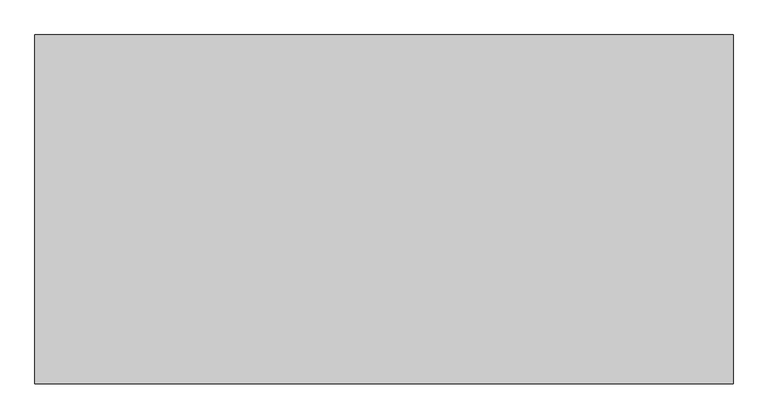
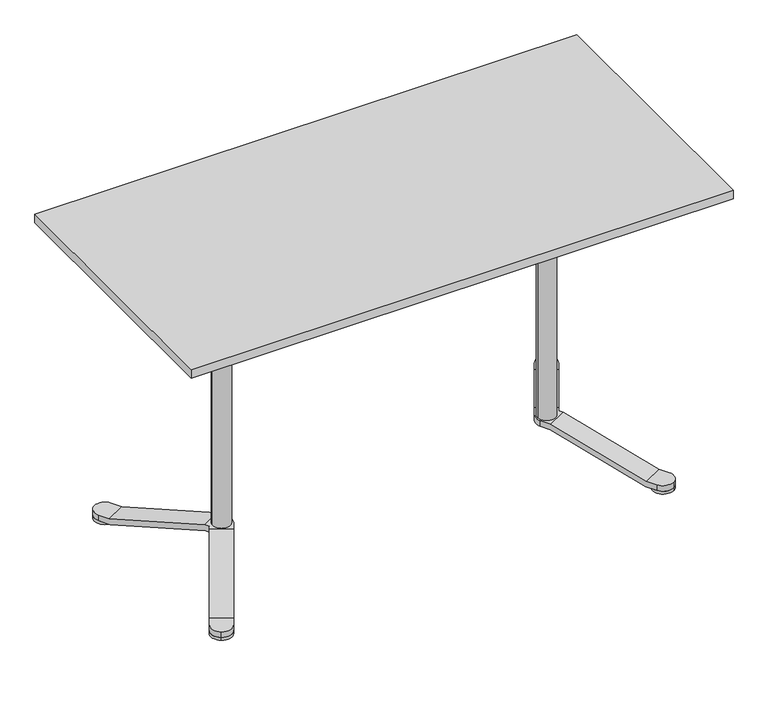
"""IFC4 building model written with IfcOpenShell, lengths in millimetres: furniture geometry."""

from ifc_helpers import new_model, si_unit, point, frame, frame_2d, origin, origin_with_axes, place, context, project, spatial, polyline, circle_curve, ellipse_curve, trimmed, segment, composite_curve, outline, extrude, source, transform, mapped, element, save
from ifc_brep_helpers import plane_surface, cylinder_surface, advanced_brep


def furniture_5b7a5aaa(model_context):
    return source(origin(), model_context, "Body", "SolidModel", [
        advanced_brep(
        [(-313.9430973, -35.0, 1024.0), (-275.0, -35.0, 1024.0), (-240.0, 0.0, 1024.0), (-275.0, 35.0, 1024.0), (-313.9430973, 35.0, 1024.0), (-310.0, -35.0, 1004.0), (-310.0, 35.0, 1004.0), (-275.0, 35.0, 1004.0), (-240.0, 0.0, 1004.0), (-275.0, -35.0, 1004.0), (-508.9430973, 35.0, 944.0), (-508.9430973, 16.1390456, 944.0), (-505.0, 0.0, 945.6176809), (-508.9430973, -16.1390456, 944.0), (-508.9430973, -35.0, 944.0), (-505.0, -35.0, 924.0), (-505.0, 35.0, 924.0), (-505.0, 0.0, 948.0), (-575.0, 0.0, 948.0), (-575.0, 0.0, 944.0), (-569.5052748, -18.8265439, 944.0), (-541.5516279, -34.9655895, 944.0), (-541.5516279, 34.9655895, 944.0), (-569.5052748, 18.8265439, 944.0), (-519.7927406, -35.0, 944.0), (-519.7927406, -35.0, 924.0), (-519.7927406, 35.0, 924.0), (-519.7927406, 35.0, 944.0), (-525.2175622, -44.3960667, 944.0), (-525.2175622, 44.3960667, 944.0), (-585.8393405, 9.3960667, 944.0), (-580.4145188, 0.0, 944.0), (-585.8393405, -9.3960667, 944.0), (-527.1891109, -47.8108891, 924.0), (-587.8108891, -12.8108891, 924.0), (-580.4145188, 0.0, 924.0), (-587.8108891, 12.8108891, 924.0), (-527.1891109, 47.8108891, 924.0), (-622.7175622, 213.2710205, 1024.0), (-642.1891109, 246.996732, 1024.0), (-690.0, 259.8076211, 1024.0), (-702.8108891, 211.996732, 1024.0), (-683.3393405, 178.2710205, 1024.0), (-624.6891109, 216.6858429, 1004.0), (-685.3108891, 181.6858429, 1004.0), (-702.8108891, 211.996732, 1004.0), (-690.0, 259.8076211, 1004.0), (-642.1891109, 246.996732, 1004.0), (-690.0, -259.8076211, 1024.0), (-642.1891109, -246.996732, 1024.0), (-622.7175622, -213.2710205, 1024.0), (-683.3393405, -178.2710205, 1024.0), (-702.8108891, -211.996732, 1024.0), (-690.0, -259.8076211, 1004.0), (-702.8108891, -211.996732, 1004.0), (-685.3108891, -181.6858429, 1004.0), (-624.6891109, -216.6858429, 1004.0), (-642.1891109, -246.996732, 1004.0)],
        [
            (0, 1),
            (1, 2, circle_curve(frame((-275.0, 0.0, 1024.0), z_axis=(0.0, 0.0, 1.0), x_axis=(-1.0, 0.0, 0.0)), 35.0)),
            (2, 3, circle_curve(frame((-275.0, 0.0, 1024.0), z_axis=(0.0, 0.0, 1.0), x_axis=(-1.0, 0.0, 0.0)), 35.0)),
            (3, 4),
            (4, 0),
            (5, 6),
            (6, 7),
            (7, 8, circle_curve(frame((-275.0, 0.0, 1004.0), z_axis=(0.0, 0.0, -1.0), x_axis=(-1.0, 0.0, 0.0)), 35.0)),
            (8, 9, circle_curve(frame((-275.0, 0.0, 1004.0), z_axis=(0.0, 0.0, -1.0), x_axis=(-1.0, 0.0, 0.0)), 35.0)),
            (9, 5),
            (1, 9),
            (8, 2),
            (7, 3),
            (4, 10),
            (10, 11),
            (11, 12, ellipse_curve(frame((-540.0, 0.0, 931.2587066), z_axis=(0.37955635625630724, 0.0, -0.9251686183747454), x_axis=(0.9251686183747455, 0.0, 0.37955635625630696)), 37.8309416, 35.0)),
            (12, 13, ellipse_curve(frame((-540.0, 0.0, 931.2587066), z_axis=(0.37955635625630724, 0.0, -0.9251686183747454), x_axis=(0.9251686183747455, 0.0, 0.37955635625630696)), 37.8309416, 35.0)),
            (13, 14),
            (14, 0),
            (5, 15),
            (15, 16),
            (16, 6),
            (17, 18, circle_curve(frame((-540.0, 0.0, 948.0), z_axis=(0.0, 0.0, 1.0), x_axis=(-1.0, 0.0, 0.0)), 35.0)),
            (18, 17, circle_curve(frame((-540.0, 0.0, 948.0), z_axis=(0.0, 0.0, 1.0), x_axis=(-1.0, 0.0, 0.0)), 35.0)),
            (18, 19),
            (19, 20, circle_curve(frame((-540.0, 0.0, 944.0), z_axis=(0.0, 0.0, 1.0), x_axis=(-1.0, 0.0, 0.0)), 35.0)),
            (20, 21, ellipse_curve(frame((-540.0, 0.0, 931.2587066), z_axis=(0.18977817812817024, 0.32870544668580903, 0.9251686183747454), x_axis=(-0.46258430918741966, -0.8012195262966529, 0.37955635625630724)), 37.8309416, 35.0)),
            (21, 13, circle_curve(frame((-540.0, 0.0, 944.0), z_axis=(0.0, 0.0, 1.0), x_axis=(-1.0, 0.0, 0.0)), 35.0)),
            (12, 17),
            (11, 22, circle_curve(frame((-540.0, 0.0, 944.0), z_axis=(0.0, 0.0, 1.0), x_axis=(-1.0, 0.0, 0.0)), 35.0)),
            (22, 23, ellipse_curve(frame((-540.0, 0.0, 931.2587066), z_axis=(0.18977817812813838, -0.3287054466858273, 0.9251686183747454), x_axis=(-0.4625843091873421, 0.8012195262966977, 0.3795563562563073)), 37.8309416, 35.0)),
            (23, 19, circle_curve(frame((-540.0, 0.0, 944.0), z_axis=(0.0, 0.0, 1.0), x_axis=(-1.0, 0.0, 0.0)), 35.0)),
            (14, 24),
            (24, 25),
            (25, 15),
            (16, 26),
            (26, 27),
            (27, 10),
            (21, 28),
            (28, 24),
            (27, 29),
            (29, 22),
            (30, 31),
            (31, 32),
            (32, 20),
            (23, 30),
            (25, 33),
            (33, 34),
            (34, 35),
            (35, 36),
            (36, 37),
            (37, 26),
            (38, 39),
            (39, 40, circle_curve(frame((-672.5, 229.496732, 1024.0), z_axis=(0.0, 0.0, 1.0), x_axis=(0.5000000000000033, -0.8660254037844368, 0.0)), 35.0)),
            (40, 41, circle_curve(frame((-672.5, 229.496732, 1024.0), z_axis=(0.0, 0.0, 1.0), x_axis=(0.5000000000000033, -0.8660254037844368, 0.0)), 35.0)),
            (41, 42),
            (42, 38),
            (43, 44),
            (44, 45),
            (45, 46, circle_curve(frame((-672.5, 229.496732, 1004.0), z_axis=(0.0, 0.0, -1.0), x_axis=(0.5000000000000033, -0.8660254037844368, 0.0)), 35.0)),
            (46, 47, circle_curve(frame((-672.5, 229.496732, 1004.0), z_axis=(0.0, 0.0, -1.0), x_axis=(0.5000000000000033, -0.8660254037844368, 0.0)), 35.0)),
            (47, 43),
            (39, 47),
            (46, 40),
            (45, 41),
            (42, 30),
            (29, 38),
            (43, 37),
            (36, 44),
            (35, 31),
            (48, 49, circle_curve(frame((-672.5, -229.496732, 1024.0), z_axis=(0.0, 0.0, 1.0), x_axis=(0.4999999999999982, 0.8660254037844397, 0.0)), 35.0)),
            (49, 50),
            (50, 51),
            (51, 52),
            (52, 48, circle_curve(frame((-672.5, -229.496732, 1024.0), z_axis=(0.0, 0.0, 1.0), x_axis=(0.4999999999999982, 0.8660254037844397, 0.0)), 35.0)),
            (53, 54, circle_curve(frame((-672.5, -229.496732, 1004.0), z_axis=(0.0, 0.0, -1.0), x_axis=(0.4999999999999982, 0.8660254037844397, 0.0)), 35.0)),
            (54, 55),
            (55, 56),
            (56, 57),
            (57, 53, circle_curve(frame((-672.5, -229.496732, 1004.0), z_axis=(0.0, 0.0, -1.0), x_axis=(0.4999999999999982, 0.8660254037844397, 0.0)), 35.0)),
            (52, 54),
            (53, 48),
            (57, 49),
            (50, 28),
            (32, 51),
            (55, 34),
            (33, 56),
        ],
        [
            plane_surface(frame((-310.0, 0.0, 1024.0), z_axis=(0.0, 0.0, 1.0), x_axis=(0.0, 1.0, 0.0))),
            plane_surface(frame((-310.0, 0.0, 1004.0), z_axis=(0.0, 0.0, -1.0), x_axis=(0.0, -1.0, 0.0))),
            cylinder_surface(frame((-275.0, 0.0, 1004.0), z_axis=(0.0, 0.0, 1.0), x_axis=(-1.0, 0.0, 0.0)), 35.0),
            plane_surface(frame((-313.9430973, -35.0, 1024.0), z_axis=(-0.37955635625630724, 0.0, 0.9251686183747454), x_axis=(-0.9251686183747454, 0.0, -0.37955635625630724))),
            plane_surface(frame((-310.0, 35.0, 1004.0), z_axis=(0.37955635625630724, 0.0, -0.9251686183747454), x_axis=(-0.9251686183747454, 0.0, -0.37955635625630724))),
            plane_surface(frame((-575.0, 0.0, 948.0), z_axis=(0.0, 0.0, 1.0), x_axis=(0.0, 1.0, 0.0))),
            cylinder_surface(frame((-540.0, 0.0, 924.0), z_axis=(0.0, 0.0, 1.0), x_axis=(-1.0, 0.0, 0.0)), 35.0),
            plane_surface(frame((-275.0, -35.0, 1004.0), z_axis=(0.0, -1.0, 0.0), x_axis=(-1.0, 0.0, 0.0))),
            plane_surface(frame((-275.0, 35.0, 1024.0), z_axis=(0.0, 1.0, 0.0), x_axis=(-1.0, 0.0, 0.0))),
            plane_surface(frame((-508.9430973, -35.0, 944.0), z_axis=(0.0, 0.0, 1.0), x_axis=(-1.0, 0.0, 0.0))),
            plane_surface(frame((-505.0, 35.0, 924.0), z_axis=(0.0, 0.0, -1.0), x_axis=(-1.0, 0.0, 0.0))),
            plane_surface(frame((-655.0, 199.1858429, 1024.0), z_axis=(0.0, 0.0, 1.0000000000000002), x_axis=(-0.8660254037844368, -0.5000000000000033, 0.0))),
            plane_surface(frame((-655.0, 199.1858429, 1004.0), z_axis=(0.0, 0.0, -1.0000000000000002), x_axis=(0.8660254037844368, 0.5000000000000033, 0.0))),
            cylinder_surface(frame((-672.5, 229.496732, 1004.0), z_axis=(0.0, 0.0, 1.0000000000000002), x_axis=(0.5000000000000033, -0.8660254037844368, 0.0)), 35.0),
            plane_surface(frame((-622.7175622, 213.2710205, 1024.0), z_axis=(0.18977817812813838, -0.3287054466858273, 0.9251686183747454), x_axis=(0.46258430918737786, -0.8012195262966771, -0.379556356256307))),
            plane_surface(frame((-685.3108891, 181.6858429, 1004.0), z_axis=(-0.18977817812813805, 0.32870544668582763, -0.9251686183747454), x_axis=(0.46258430918737803, -0.801219526296677, -0.3795563562563071))),
            plane_surface(frame((-642.1891109, 246.996732, 1004.0), z_axis=(0.8660254037844353, 0.500000000000006, 0.0), x_axis=(0.500000000000006, -0.8660254037844353, 0.0))),
            plane_surface(frame((-702.8108891, 211.996732, 1024.0), z_axis=(-0.8660254037844354, -0.5000000000000057, 0.0), x_axis=(0.5000000000000057, -0.8660254037844354, 0.0))),
            plane_surface(frame((-655.0, -199.1858429, 1024.0), z_axis=(0.0, 0.0, 1.0), x_axis=(0.8660254037844397, -0.4999999999999982, 0.0))),
            plane_surface(frame((-655.0, -199.1858429, 1004.0), z_axis=(0.0, 0.0, -1.0), x_axis=(-0.8660254037844397, 0.4999999999999982, 0.0))),
            cylinder_surface(frame((-672.5, -229.496732, 1004.0), z_axis=(0.0, 0.0, 1.0), x_axis=(0.4999999999999982, 0.8660254037844397, 0.0)), 35.0),
            plane_surface(frame((-683.3393405, -178.2710205, 1024.0), z_axis=(0.18977817812817024, 0.32870544668580903, 0.9251686183747454), x_axis=(0.462584309187371, 0.801219526296681, -0.3795563562563072))),
            plane_surface(frame((-624.6891109, -216.6858429, 1004.0), z_axis=(-0.1897781781281706, -0.32870544668580876, -0.9251686183747455), x_axis=(0.46258430918737103, 0.8012195262966811, -0.3795563562563071))),
            plane_surface(frame((-702.8108891, -211.996732, 1004.0), z_axis=(-0.8660254037844399, 0.4999999999999979, 0.0), x_axis=(0.4999999999999979, 0.8660254037844399, 0.0))),
            plane_surface(frame((-642.1891109, -246.996732, 1024.0), z_axis=(0.8660254037844398, -0.49999999999999806, 0.0), x_axis=(0.49999999999999806, 0.8660254037844398, 0.0))),
        ],
        [
            (0, [[1, 2, 3, 4, 5]]),
            (1, [[6, 7, 8, 9, 10]]),
            (2, [[-2, 11, -9, 12]]),
            (2, [[-8, 13, -3, -12]]),
            (3, [[14, 15, 16, 17, 18, 19, -5]]),
            (4, [[-6, 20, 21, 22]]),
            (5, [[23, 24]]),
            (6, [[25, 26, 27, 28, -17, 29, -24]]),
            (6, [[-29, -16, 30, 31, 32, -25, -23]]),
            (7, [[33, 34, 35, -20, -10, -11, -1, -19]]),
            (8, [[-4, -13, -7, -22, 36, 37, 38, -14]]),
            (9, [[-28, 39, 40, -33, -18]]),
            (9, [[-38, 41, 42, -30, -15]]),
            (9, [[43, 44, 45, -26, -32, 46]]),
            (10, [[-35, 47, 48, 49, 50, 51, 52, -36, -21]]),
            (11, [[53, 54, 55, 56, 57]]),
            (12, [[58, 59, 60, 61, 62]]),
            (13, [[-54, 63, -61, 64]]),
            (13, [[-60, 65, -55, -64]]),
            (14, [[66, -46, -31, -42, 67, -57]]),
            (15, [[-58, 68, -51, 69]]),
            (16, [[-41, -37, -52, -68, -62, -63, -53, -67]]),
            (17, [[-56, -65, -59, -69, -50, 70, -43, -66]]),
            (18, [[71, 72, 73, 74, 75]]),
            (19, [[76, 77, 78, 79, 80]]),
            (20, [[-75, 81, -76, 82]]),
            (20, [[-80, 83, -71, -82]]),
            (21, [[84, -39, -27, -45, 85, -73]]),
            (22, [[86, -48, 87, -78]]),
            (23, [[-44, -70, -49, -86, -77, -81, -74, -85]]),
            (24, [[-72, -83, -79, -87, -47, -34, -40, -84]]),
        ],
    ),
        extrude(outline(composite_curve([segment(trimmed(circle_curve(frame_2d((-733.5, 335.1518313)), 35.0), [point((-716.0, 304.8409421))], [point((-751.0, 365.4627204))], False, "CARTESIAN"), True, "CONTINUOUS"), segment(trimmed(circle_curve(frame_2d((-733.5, 335.1518313)), 35.0), [point((-751.0, 365.4627204))], [point((-716.0, 304.8409421))], False, "CARTESIAN"), True, "CONTINUOUS")], self_intersect=False)), origin_with_axes(), (0.0, 0.0, 1.0), 10.0),
        advanced_brep(
        [(-744.9373899, -284.9619717, 10.0), (-586.4373899, -10.4319187, 98.7542004), (-525.8156116, -45.4319187, 98.7542004), (-684.3156116, -319.9619717, 10.0), (-746.3108891, -287.3409421, 30.0), (-685.6891109, -322.3409421, 30.0), (-527.1891109, -47.8108891, 118.7542004), (-587.8108891, -12.8108891, 118.7542004), (-763.8108891, -317.6518313, 10.0), (-763.8108891, -317.6518313, 30.0), (-580.4145188, 0.0, 118.7542004), (-580.4145188, 0.0, 98.7542004), (-703.1891109, -352.6518313, 10.0), (-751.0, -365.4627204, 10.0), (-509.6891109, -17.5, 98.7542004), (-509.6891109, -17.5, 118.7542004), (-703.1891109, -352.6518313, 30.0), (-751.0, -365.4627204, 30.0), (-586.4373899, 10.4319187, 98.7542004), (-525.8156116, 45.4319187, 98.7542004), (-509.6891109, 17.5, 98.7542004), (-509.6891109, 17.5, 118.7542004), (-527.1891109, 47.8108891, 118.7542004), (-587.8108891, 12.8108891, 118.7542004), (-684.3156116, 319.9619717, 10.0), (-744.9373899, 284.9619717, 10.0), (-685.6891109, 322.3409421, 30.0), (-746.3108891, 287.3409421, 30.0), (-703.1891109, 352.6518313, 10.0), (-703.1891109, 352.6518313, 30.0), (-763.8108891, 317.6518313, 10.0), (-751.0, 365.4627204, 10.0), (-763.8108891, 317.6518313, 30.0), (-751.0, 365.4627204, 30.0)],
        [
            (0, 1),
            (1, 2),
            (2, 3),
            (3, 0),
            (4, 5),
            (5, 6),
            (6, 7),
            (7, 4),
            (0, 8),
            (8, 9),
            (9, 4),
            (7, 10),
            (10, 11),
            (11, 1),
            (3, 12),
            (12, 13, circle_curve(frame((-733.5, -335.1518313, 10.0), z_axis=(0.0, 0.0, -1.0), x_axis=(0.49999999999999245, 0.866025403784443, 0.0)), 35.0)),
            (13, 8, circle_curve(frame((-733.5, -335.1518313, 10.0), z_axis=(0.0, 0.0, -1.0), x_axis=(0.49999999999999245, 0.866025403784443, 0.0)), 35.0)),
            (2, 14),
            (14, 15),
            (15, 6),
            (5, 16),
            (16, 12),
            (9, 17, circle_curve(frame((-733.5, -335.1518313, 30.0), z_axis=(0.0, 0.0, 1.0), x_axis=(0.49999999999999245, 0.866025403784443, 0.0)), 35.0)),
            (17, 16, circle_curve(frame((-733.5, -335.1518313, 30.0), z_axis=(0.0, 0.0, 1.0), x_axis=(0.49999999999999245, 0.866025403784443, 0.0)), 35.0)),
            (11, 18),
            (18, 19),
            (19, 20),
            (20, 14, circle_curve(frame((-540.0, 0.0, 98.7542004), z_axis=(0.0, 0.0, -1.0), x_axis=(-0.499999999999998, -0.8660254037844398, 0.0)), 35.0)),
            (15, 21, circle_curve(frame((-540.0, 0.0, 118.7542004), z_axis=(0.0, 0.0, 1.0), x_axis=(-0.499999999999998, -0.8660254037844398, 0.0)), 35.0)),
            (21, 22),
            (22, 23),
            (23, 10),
            (17, 13),
            (24, 19),
            (18, 25),
            (25, 24),
            (26, 27),
            (27, 23),
            (22, 26),
            (24, 28),
            (28, 29),
            (29, 26),
            (21, 20),
            (25, 30),
            (30, 31, circle_curve(frame((-733.5, 335.1518313, 10.0), z_axis=(0.0, 0.0, -1.0), x_axis=(0.5000000000000067, -0.8660254037844348, 0.0)), 35.0)),
            (31, 28, circle_curve(frame((-733.5, 335.1518313, 10.0), z_axis=(0.0, 0.0, -1.0), x_axis=(0.5000000000000067, -0.8660254037844348, 0.0)), 35.0)),
            (27, 32),
            (32, 30),
            (29, 33, circle_curve(frame((-733.5, 335.1518313, 30.0), z_axis=(0.0, 0.0, 1.0), x_axis=(0.5000000000000067, -0.8660254037844348, 0.0)), 35.0)),
            (33, 32, circle_curve(frame((-733.5, 335.1518313, 30.0), z_axis=(0.0, 0.0, 1.0), x_axis=(0.5000000000000067, -0.8660254037844348, 0.0)), 35.0)),
            (33, 31),
        ],
        [
            plane_surface(frame((-684.3156116, -319.9619717, 10.0), z_axis=(0.13480679420202513, 0.23349221676335374, -0.9629685939572007), x_axis=(0.4814842969785931, 0.833955265413522, 0.26961358840401967))),
            plane_surface(frame((-746.3108891, -287.3409421, 30.0), z_axis=(-0.13480679420202557, -0.2334922167633536, 0.9629685939572008), x_axis=(0.481484296978593, 0.833955265413522, 0.2696135884040197))),
            plane_surface(frame((-763.8108891, -317.6518313, 10.0), z_axis=(-0.8660254037844429, 0.49999999999999256, 0.0), x_axis=(0.49999999999999256, 0.8660254037844429, 0.0))),
            plane_surface(frame((-703.1891109, -352.6518313, 10.0), z_axis=(0.0, 0.0, -1.0), x_axis=(0.4999999999999921, 0.8660254037844433, 0.0))),
            plane_surface(frame((-703.1891109, -352.6518313, 30.0), z_axis=(0.8660254037844428, -0.49999999999999295, 0.0), x_axis=(0.49999999999999295, 0.8660254037844428, 0.0))),
            plane_surface(frame((-763.8108891, -317.6518313, 30.0), z_axis=(0.0, 0.0, 1.0), x_axis=(0.49999999999999256, 0.8660254037844429, 0.0))),
            plane_surface(frame((-525.8156116, -45.4319187, 98.7542004), z_axis=(0.0, 0.0, -1.0), x_axis=(0.4999999999999923, 0.8660254037844431, 0.0))),
            plane_surface(frame((-587.8108891, -12.8108891, 118.7542004), z_axis=(0.0, 0.0, 1.0), x_axis=(0.49999999999999234, 0.8660254037844431, 0.0))),
            cylinder_surface(frame((-733.5, -335.1518313, 10.0), z_axis=(0.0, 0.0, 1.0), x_axis=(0.49999999999999245, 0.866025403784443, 0.0)), 35.0),
            plane_surface(frame((-744.9373899, 284.9619717, 10.0), z_axis=(0.13480679420199432, -0.23349221676337148, -0.9629685939572008), x_axis=(0.48148429697860684, -0.8339552654135142, 0.2696135884040196))),
            plane_surface(frame((-685.6891109, 322.3409421, 30.0), z_axis=(-0.13480679420199398, 0.23349221676337176, 0.9629685939572007), x_axis=(0.4814842969786067, -0.8339552654135141, 0.26961358840401967))),
            plane_surface(frame((-703.1891109, 352.6518313, 10.0), z_axis=(0.8660254037844345, 0.5000000000000074, 0.0), x_axis=(0.5000000000000074, -0.8660254037844345, 0.0))),
            plane_surface(frame((-763.8108891, 317.6518313, 10.0), z_axis=(0.0, 0.0, -1.0), x_axis=(0.500000000000008, -0.866025403784434, 0.0))),
            plane_surface(frame((-763.8108891, 317.6518313, 30.0), z_axis=(-0.8660254037844347, -0.5000000000000069, 0.0), x_axis=(0.5000000000000069, -0.8660254037844347, 0.0))),
            plane_surface(frame((-703.1891109, 352.6518313, 30.0), z_axis=(0.0, 0.0, 1.0), x_axis=(0.5000000000000078, -0.8660254037844342, 0.0))),
            cylinder_surface(frame((-733.5, 335.1518313, 10.0), z_axis=(0.0, 0.0, 1.0), x_axis=(0.5000000000000067, -0.8660254037844348, 0.0)), 35.0),
            cylinder_surface(frame((-540.0, 0.0, 98.7542004), z_axis=(0.0, 0.0, 1.0), x_axis=(-0.499999999999998, -0.8660254037844398, 0.0)), 35.0),
        ],
        [
            (0, [[1, 2, 3, 4]]),
            (1, [[5, 6, 7, 8]]),
            (2, [[9, 10, 11, -8, 12, 13, 14, -1]]),
            (3, [[15, 16, 17, -9, -4]]),
            (4, [[18, 19, 20, -6, 21, 22, -15, -3]]),
            (5, [[23, 24, -21, -5, -11]]),
            (6, [[-2, -14, 25, 26, 27, 28, -18]]),
            (7, [[29, 30, 31, 32, -12, -7, -20]]),
            (8, [[-16, -22, -24, 33]]),
            (8, [[-23, -10, -17, -33]]),
            (9, [[34, -26, 35, 36]]),
            (10, [[37, 38, -31, 39]]),
            (11, [[40, 41, 42, -39, -30, 43, -27, -34]]),
            (12, [[44, 45, 46, -40, -36]]),
            (13, [[-25, -13, -32, -38, 47, 48, -44, -35]]),
            (14, [[49, 50, -47, -37, -42]]),
            (15, [[-45, -48, -50, 51]]),
            (15, [[-49, -41, -46, -51]]),
            (16, [[-19, -28, -43, -29]]),
        ],
    ),
        extrude(outline(composite_curve([segment(trimmed(circle_curve(frame_2d((-540.0, 0.0)), 30.0), [point((-510.0, 0.0))], [point((-570.0, 0.0))], False, "CARTESIAN"), True, "CONTINUOUS"), segment(trimmed(circle_curve(frame_2d((-540.0, 0.0)), 30.0), [point((-570.0, 0.0))], [point((-510.0, 0.0))], False, "CARTESIAN"), True, "CONTINUOUS")], self_intersect=False)), frame((0.0, 0.0, 118.7542004), z_axis=(0.0, 0.0, 1.0), x_axis=(1.0, 0.0, 0.0)), (0.0, 0.0, 1.0), 805.2457996),
        extrude(outline(composite_curve([segment(trimmed(circle_curve(frame_2d((-733.5, -335.1518313)), 35.0), [point((-716.0, -304.8409421))], [point((-751.0, -365.4627204))], False, "CARTESIAN"), True, "CONTINUOUS"), segment(trimmed(circle_curve(frame_2d((-733.5, -335.1518313)), 35.0), [point((-751.0, -365.4627204))], [point((-716.0, -304.8409421))], False, "CARTESIAN"), True, "CONTINUOUS")], self_intersect=False)), origin_with_axes(), (0.0, 0.0, 1.0), 10.0),
        advanced_brep(
        [(313.9430973, -35.0, 1024.0), (313.9430973, 35.0, 1024.0), (275.0, 35.0, 1024.0), (240.0, 0.0, 1024.0), (275.0, -35.0, 1024.0), (310.0, -35.0, 1004.0), (275.0, -35.0, 1004.0), (240.0, 0.0, 1004.0), (275.0, 35.0, 1004.0), (310.0, 35.0, 1004.0), (508.9430973, -35.0, 944.0), (508.9430973, -16.1390456, 944.0), (505.0, 0.0, 945.6176809), (508.9430973, 16.1390456, 944.0), (508.9430973, 35.0, 944.0), (505.0, 35.0, 924.0), (505.0, -35.0, 924.0), (505.0, 0.0, 948.0), (575.0, 0.0, 948.0), (541.5516279, -34.9655895, 944.0), (569.5052748, -18.8265439, 944.0), (575.0, 0.0, 944.0), (569.5052748, 18.8265439, 944.0), (541.5516279, 34.9655895, 944.0), (519.7927406, -35.0, 924.0), (519.7927406, -35.0, 944.0), (519.7927406, 35.0, 944.0), (519.7927406, 35.0, 924.0), (525.2175622, -44.3960667, 944.0), (525.2175622, 44.3960667, 944.0), (585.8393405, 9.3960667, 944.0), (585.8393405, -9.3960667, 944.0), (580.4145188, 0.0, 944.0), (527.1891109, 47.8108891, 924.0), (587.8108891, 12.8108891, 924.0), (580.4145188, 0.0, 924.0), (587.8108891, -12.8108891, 924.0), (527.1891109, -47.8108891, 924.0), (622.7175622, 213.2710205, 1024.0), (683.3393405, 178.2710205, 1024.0), (702.8108891, 211.996732, 1024.0), (690.0, 259.8076211, 1024.0), (642.1891109, 246.996732, 1024.0), (624.6891109, 216.6858429, 1004.0), (642.1891109, 246.996732, 1004.0), (690.0, 259.8076211, 1004.0), (702.8108891, 211.996732, 1004.0), (685.3108891, 181.6858429, 1004.0), (690.0, -259.8076211, 1024.0), (702.8108891, -211.996732, 1024.0), (683.3393405, -178.2710205, 1024.0), (622.7175622, -213.2710205, 1024.0), (642.1891109, -246.996732, 1024.0), (690.0, -259.8076211, 1004.0), (642.1891109, -246.996732, 1004.0), (624.6891109, -216.6858429, 1004.0), (685.3108891, -181.6858429, 1004.0), (702.8108891, -211.996732, 1004.0)],
        [
            (0, 1),
            (1, 2),
            (2, 3, circle_curve(frame((275.0, 0.0, 1024.0), z_axis=(0.0, 0.0, 1.0), x_axis=(1.0, 0.0, 0.0)), 35.0)),
            (3, 4, circle_curve(frame((275.0, 0.0, 1024.0), z_axis=(0.0, 0.0, 1.0), x_axis=(1.0, 0.0, 0.0)), 35.0)),
            (4, 0),
            (5, 6),
            (6, 7, circle_curve(frame((275.0, 0.0, 1004.0), z_axis=(0.0, 0.0, -1.0), x_axis=(1.0, 0.0, 0.0)), 35.0)),
            (7, 8, circle_curve(frame((275.0, 0.0, 1004.0), z_axis=(0.0, 0.0, -1.0), x_axis=(1.0, 0.0, 0.0)), 35.0)),
            (8, 9),
            (9, 5),
            (3, 7),
            (6, 4),
            (2, 8),
            (0, 10),
            (10, 11),
            (11, 12, ellipse_curve(frame((540.0, 0.0, 931.2587066), z_axis=(-0.37955635625630724, 0.0, -0.9251686183747454), x_axis=(-0.9251686183747455, 0.0, 0.37955635625630696)), 37.8309416, 35.0)),
            (12, 13, ellipse_curve(frame((540.0, 0.0, 931.2587066), z_axis=(-0.37955635625630724, 0.0, -0.9251686183747454), x_axis=(-0.9251686183747455, 0.0, 0.37955635625630696)), 37.8309416, 35.0)),
            (13, 14),
            (14, 1),
            (9, 15),
            (15, 16),
            (16, 5),
            (17, 18, circle_curve(frame((540.0, 0.0, 948.0), z_axis=(0.0, 0.0, 1.0), x_axis=(1.0, 0.0, 0.0)), 35.0)),
            (18, 17, circle_curve(frame((540.0, 0.0, 948.0), z_axis=(0.0, 0.0, 1.0), x_axis=(1.0, 0.0, 0.0)), 35.0)),
            (17, 12),
            (11, 19, circle_curve(frame((540.0, 0.0, 944.0), z_axis=(0.0, 0.0, 1.0), x_axis=(1.0, 0.0, 0.0)), 35.0)),
            (19, 20, ellipse_curve(frame((540.0, 0.0, 931.2587066), z_axis=(-0.18977817812817024, 0.32870544668580903, 0.9251686183747454), x_axis=(0.46258430918741966, -0.8012195262966529, 0.37955635625630724)), 37.8309416, 35.0)),
            (20, 21, circle_curve(frame((540.0, 0.0, 944.0), z_axis=(0.0, 0.0, 1.0), x_axis=(1.0, 0.0, 0.0)), 35.0)),
            (21, 18),
            (21, 22, circle_curve(frame((540.0, 0.0, 944.0), z_axis=(0.0, 0.0, 1.0), x_axis=(1.0, 0.0, 0.0)), 35.0)),
            (22, 23, ellipse_curve(frame((540.0, 0.0, 931.2587066), z_axis=(-0.18977817812813838, -0.3287054466858273, 0.9251686183747454), x_axis=(0.4625843091873421, 0.8012195262966977, 0.3795563562563073)), 37.8309416, 35.0)),
            (23, 13, circle_curve(frame((540.0, 0.0, 944.0), z_axis=(0.0, 0.0, 1.0), x_axis=(1.0, 0.0, 0.0)), 35.0)),
            (16, 24),
            (24, 25),
            (25, 10),
            (14, 26),
            (26, 27),
            (27, 15),
            (25, 28),
            (28, 19),
            (23, 29),
            (29, 26),
            (30, 22),
            (20, 31),
            (31, 32),
            (32, 30),
            (27, 33),
            (33, 34),
            (34, 35),
            (35, 36),
            (36, 37),
            (37, 24),
            (38, 39),
            (39, 40),
            (40, 41, circle_curve(frame((672.5, 229.496732, 1024.0), z_axis=(0.0, 0.0, 1.0), x_axis=(-0.5000000000000033, -0.8660254037844368, 0.0)), 35.0)),
            (41, 42, circle_curve(frame((672.5, 229.496732, 1024.0), z_axis=(0.0, 0.0, 1.0), x_axis=(-0.5000000000000033, -0.8660254037844368, 0.0)), 35.0)),
            (42, 38),
            (43, 44),
            (44, 45, circle_curve(frame((672.5, 229.496732, 1004.0), z_axis=(0.0, 0.0, -1.0), x_axis=(-0.5000000000000033, -0.8660254037844368, 0.0)), 35.0)),
            (45, 46, circle_curve(frame((672.5, 229.496732, 1004.0), z_axis=(0.0, 0.0, -1.0), x_axis=(-0.5000000000000033, -0.8660254037844368, 0.0)), 35.0)),
            (46, 47),
            (47, 43),
            (41, 45),
            (44, 42),
            (40, 46),
            (38, 29),
            (30, 39),
            (47, 34),
            (33, 43),
            (32, 35),
            (48, 49, circle_curve(frame((672.5, -229.496732, 1024.0), z_axis=(0.0, 0.0, 1.0), x_axis=(-0.4999999999999982, 0.8660254037844397, 0.0)), 35.0)),
            (49, 50),
            (50, 51),
            (51, 52),
            (52, 48, circle_curve(frame((672.5, -229.496732, 1024.0), z_axis=(0.0, 0.0, 1.0), x_axis=(-0.4999999999999982, 0.8660254037844397, 0.0)), 35.0)),
            (53, 54, circle_curve(frame((672.5, -229.496732, 1004.0), z_axis=(0.0, 0.0, -1.0), x_axis=(-0.4999999999999982, 0.8660254037844397, 0.0)), 35.0)),
            (54, 55),
            (55, 56),
            (56, 57),
            (57, 53, circle_curve(frame((672.5, -229.496732, 1004.0), z_axis=(0.0, 0.0, -1.0), x_axis=(-0.4999999999999982, 0.8660254037844397, 0.0)), 35.0)),
            (48, 53),
            (57, 49),
            (52, 54),
            (50, 31),
            (28, 51),
            (55, 37),
            (36, 56),
        ],
        [
            plane_surface(frame((310.0, 0.0, 1024.0), z_axis=(0.0, 0.0, 1.0), x_axis=(0.0, 1.0, 0.0))),
            plane_surface(frame((310.0, 0.0, 1004.0), z_axis=(0.0, 0.0, -1.0), x_axis=(0.0, -1.0, 0.0))),
            cylinder_surface(frame((275.0, 0.0, 1004.0), z_axis=(0.0, 0.0, 1.0), x_axis=(1.0, 0.0, 0.0)), 35.0),
            plane_surface(frame((313.9430973, -35.0, 1024.0), z_axis=(0.37955635625630724, 0.0, 0.9251686183747454), x_axis=(0.9251686183747454, 0.0, -0.37955635625630724))),
            plane_surface(frame((310.0, 35.0, 1004.0), z_axis=(-0.37955635625630724, 0.0, -0.9251686183747454), x_axis=(0.9251686183747454, 0.0, -0.37955635625630724))),
            plane_surface(frame((575.0, 0.0, 948.0), z_axis=(0.0, 0.0, 1.0), x_axis=(0.0, 1.0, 0.0))),
            cylinder_surface(frame((540.0, 0.0, 924.0), z_axis=(0.0, 0.0, 1.0), x_axis=(1.0, 0.0, 0.0)), 35.0),
            plane_surface(frame((275.0, -35.0, 1004.0), z_axis=(0.0, -1.0, 0.0), x_axis=(1.0, 0.0, 0.0))),
            plane_surface(frame((275.0, 35.0, 1024.0), z_axis=(0.0, 1.0, 0.0), x_axis=(1.0, 0.0, 0.0))),
            plane_surface(frame((508.9430973, -35.0, 944.0), z_axis=(0.0, 0.0, 1.0), x_axis=(1.0, 0.0, 0.0))),
            plane_surface(frame((505.0, 35.0, 924.0), z_axis=(0.0, 0.0, -1.0), x_axis=(1.0, 0.0, 0.0))),
            plane_surface(frame((655.0, 199.1858429, 1024.0), z_axis=(0.0, 0.0, 1.0000000000000002), x_axis=(0.8660254037844368, -0.5000000000000033, 0.0))),
            plane_surface(frame((655.0, 199.1858429, 1004.0), z_axis=(0.0, 0.0, -1.0000000000000002), x_axis=(-0.8660254037844368, 0.5000000000000033, 0.0))),
            cylinder_surface(frame((672.5, 229.496732, 1004.0), z_axis=(0.0, 0.0, 1.0000000000000002), x_axis=(-0.5000000000000033, -0.8660254037844368, 0.0)), 35.0),
            plane_surface(frame((622.7175622, 213.2710205, 1024.0), z_axis=(-0.18977817812813838, -0.3287054466858273, 0.9251686183747454), x_axis=(-0.46258430918737786, -0.8012195262966771, -0.379556356256307))),
            plane_surface(frame((685.3108891, 181.6858429, 1004.0), z_axis=(0.18977817812813805, 0.32870544668582763, -0.9251686183747454), x_axis=(-0.46258430918737803, -0.801219526296677, -0.3795563562563071))),
            plane_surface(frame((642.1891109, 246.996732, 1004.0), z_axis=(-0.8660254037844353, 0.500000000000006, 0.0), x_axis=(-0.500000000000006, -0.8660254037844353, 0.0))),
            plane_surface(frame((702.8108891, 211.996732, 1024.0), z_axis=(0.8660254037844354, -0.5000000000000057, 0.0), x_axis=(-0.5000000000000057, -0.8660254037844354, 0.0))),
            plane_surface(frame((655.0, -199.1858429, 1024.0), z_axis=(0.0, 0.0, 1.0), x_axis=(-0.8660254037844397, -0.4999999999999982, 0.0))),
            plane_surface(frame((655.0, -199.1858429, 1004.0), z_axis=(0.0, 0.0, -1.0), x_axis=(0.8660254037844397, 0.4999999999999982, 0.0))),
            cylinder_surface(frame((672.5, -229.496732, 1004.0), z_axis=(0.0, 0.0, 1.0), x_axis=(-0.4999999999999982, 0.8660254037844397, 0.0)), 35.0),
            plane_surface(frame((683.3393405, -178.2710205, 1024.0), z_axis=(-0.18977817812817024, 0.32870544668580903, 0.9251686183747454), x_axis=(-0.462584309187371, 0.801219526296681, -0.3795563562563072))),
            plane_surface(frame((624.6891109, -216.6858429, 1004.0), z_axis=(0.1897781781281706, -0.32870544668580876, -0.9251686183747455), x_axis=(-0.46258430918737103, 0.8012195262966811, -0.3795563562563071))),
            plane_surface(frame((702.8108891, -211.996732, 1004.0), z_axis=(0.8660254037844399, 0.4999999999999979, 0.0), x_axis=(-0.4999999999999979, 0.8660254037844399, 0.0))),
            plane_surface(frame((642.1891109, -246.996732, 1024.0), z_axis=(-0.8660254037844398, -0.49999999999999806, 0.0), x_axis=(-0.49999999999999806, 0.8660254037844398, 0.0))),
        ],
        [
            (0, [[1, 2, 3, 4, 5]]),
            (1, [[6, 7, 8, 9, 10]]),
            (2, [[11, -7, 12, -4]]),
            (2, [[-11, -3, 13, -8]]),
            (3, [[-1, 14, 15, 16, 17, 18, 19]]),
            (4, [[20, 21, 22, -10]]),
            (5, [[23, 24]]),
            (6, [[-23, 25, -16, 26, 27, 28, 29]]),
            (6, [[-24, -29, 30, 31, 32, -17, -25]]),
            (7, [[-14, -5, -12, -6, -22, 33, 34, 35]]),
            (8, [[-19, 36, 37, 38, -20, -9, -13, -2]]),
            (9, [[-15, -35, 39, 40, -26]]),
            (9, [[-18, -32, 41, 42, -36]]),
            (9, [[43, -30, -28, 44, 45, 46]]),
            (10, [[-21, -38, 47, 48, 49, 50, 51, 52, -33]]),
            (11, [[53, 54, 55, 56, 57]]),
            (12, [[58, 59, 60, 61, 62]]),
            (13, [[63, -59, 64, -56]]),
            (13, [[-63, -55, 65, -60]]),
            (14, [[-53, 66, -41, -31, -43, 67]]),
            (15, [[68, -48, 69, -62]]),
            (16, [[-66, -57, -64, -58, -69, -47, -37, -42]]),
            (17, [[-67, -46, 70, -49, -68, -61, -65, -54]]),
            (18, [[71, 72, 73, 74, 75]]),
            (19, [[76, 77, 78, 79, 80]]),
            (20, [[81, -80, 82, -71]]),
            (20, [[-81, -75, 83, -76]]),
            (21, [[-73, 84, -44, -27, -40, 85]]),
            (22, [[-78, 86, -51, 87]]),
            (23, [[-84, -72, -82, -79, -87, -50, -70, -45]]),
            (24, [[-85, -39, -34, -52, -86, -77, -83, -74]]),
        ],
    ),
        extrude(outline(composite_curve([segment(trimmed(circle_curve(frame_2d((733.5, 335.1518313)), 35.0), [point((716.0, 304.8409421))], [point((751.0, 365.4627204))], False, "CARTESIAN"), True, "CONTINUOUS"), segment(trimmed(circle_curve(frame_2d((733.5, 335.1518313)), 35.0), [point((751.0, 365.4627204))], [point((716.0, 304.8409421))], False, "CARTESIAN"), True, "CONTINUOUS")], self_intersect=False)), origin_with_axes(), (0.0, 0.0, 1.0), 10.0),
        advanced_brep(
        [(744.9373899, -284.9619717, 10.0), (684.3156116, -319.9619717, 10.0), (525.8156116, -45.4319187, 98.7542004), (586.4373899, -10.4319187, 98.7542004), (746.3108891, -287.3409421, 30.0), (587.8108891, -12.8108891, 118.7542004), (527.1891109, -47.8108891, 118.7542004), (685.6891109, -322.3409421, 30.0), (580.4145188, 0.0, 98.7542004), (580.4145188, 0.0, 118.7542004), (763.8108891, -317.6518313, 30.0), (763.8108891, -317.6518313, 10.0), (751.0, -365.4627204, 10.0), (703.1891109, -352.6518313, 10.0), (703.1891109, -352.6518313, 30.0), (509.6891109, -17.5, 118.7542004), (509.6891109, -17.5, 98.7542004), (751.0, -365.4627204, 30.0), (509.6891109, 17.5, 98.7542004), (525.8156116, 45.4319187, 98.7542004), (586.4373899, 10.4319187, 98.7542004), (587.8108891, 12.8108891, 118.7542004), (527.1891109, 47.8108891, 118.7542004), (509.6891109, 17.5, 118.7542004), (684.3156116, 319.9619717, 10.0), (744.9373899, 284.9619717, 10.0), (685.6891109, 322.3409421, 30.0), (746.3108891, 287.3409421, 30.0), (703.1891109, 352.6518313, 30.0), (703.1891109, 352.6518313, 10.0), (751.0, 365.4627204, 10.0), (763.8108891, 317.6518313, 10.0), (763.8108891, 317.6518313, 30.0), (751.0, 365.4627204, 30.0)],
        [
            (0, 1),
            (1, 2),
            (2, 3),
            (3, 0),
            (4, 5),
            (5, 6),
            (6, 7),
            (7, 4),
            (3, 8),
            (8, 9),
            (9, 5),
            (4, 10),
            (10, 11),
            (11, 0),
            (11, 12, circle_curve(frame((733.5, -335.1518313, 10.0), z_axis=(0.0, 0.0, -1.0), x_axis=(-0.49999999999999245, 0.866025403784443, 0.0)), 35.0)),
            (12, 13, circle_curve(frame((733.5, -335.1518313, 10.0), z_axis=(0.0, 0.0, -1.0), x_axis=(-0.49999999999999245, 0.866025403784443, 0.0)), 35.0)),
            (13, 1),
            (13, 14),
            (14, 7),
            (6, 15),
            (15, 16),
            (16, 2),
            (14, 17, circle_curve(frame((733.5, -335.1518313, 30.0), z_axis=(0.0, 0.0, 1.0), x_axis=(-0.49999999999999245, 0.866025403784443, 0.0)), 35.0)),
            (17, 10, circle_curve(frame((733.5, -335.1518313, 30.0), z_axis=(0.0, 0.0, 1.0), x_axis=(-0.49999999999999245, 0.866025403784443, 0.0)), 35.0)),
            (16, 18, circle_curve(frame((540.0, 0.0, 98.7542004), z_axis=(0.0, 0.0, -1.0), x_axis=(0.499999999999998, -0.8660254037844398, 0.0)), 35.0)),
            (18, 19),
            (19, 20),
            (20, 8),
            (9, 21),
            (21, 22),
            (22, 23),
            (23, 15, circle_curve(frame((540.0, 0.0, 118.7542004), z_axis=(0.0, 0.0, 1.0), x_axis=(0.499999999999998, -0.8660254037844398, 0.0)), 35.0)),
            (12, 17),
            (24, 25),
            (25, 20),
            (19, 24),
            (26, 22),
            (21, 27),
            (27, 26),
            (18, 23),
            (26, 28),
            (28, 29),
            (29, 24),
            (29, 30, circle_curve(frame((733.5, 335.1518313, 10.0), z_axis=(0.0, 0.0, -1.0), x_axis=(-0.5000000000000067, -0.8660254037844348, 0.0)), 35.0)),
            (30, 31, circle_curve(frame((733.5, 335.1518313, 10.0), z_axis=(0.0, 0.0, -1.0), x_axis=(-0.5000000000000067, -0.8660254037844348, 0.0)), 35.0)),
            (31, 25),
            (31, 32),
            (32, 27),
            (32, 33, circle_curve(frame((733.5, 335.1518313, 30.0), z_axis=(0.0, 0.0, 1.0), x_axis=(-0.5000000000000067, -0.8660254037844348, 0.0)), 35.0)),
            (33, 28, circle_curve(frame((733.5, 335.1518313, 30.0), z_axis=(0.0, 0.0, 1.0), x_axis=(-0.5000000000000067, -0.8660254037844348, 0.0)), 35.0)),
            (30, 33),
        ],
        [
            plane_surface(frame((684.3156116, -319.9619717, 10.0), z_axis=(-0.13480679420202513, 0.23349221676335374, -0.9629685939572007), x_axis=(-0.4814842969785931, 0.833955265413522, 0.26961358840401967))),
            plane_surface(frame((746.3108891, -287.3409421, 30.0), z_axis=(0.13480679420202557, -0.2334922167633536, 0.9629685939572008), x_axis=(-0.481484296978593, 0.833955265413522, 0.2696135884040197))),
            plane_surface(frame((763.8108891, -317.6518313, 10.0), z_axis=(0.8660254037844429, 0.49999999999999256, 0.0), x_axis=(-0.49999999999999256, 0.8660254037844429, 0.0))),
            plane_surface(frame((703.1891109, -352.6518313, 10.0), z_axis=(0.0, 0.0, -1.0), x_axis=(-0.4999999999999921, 0.8660254037844433, 0.0))),
            plane_surface(frame((703.1891109, -352.6518313, 30.0), z_axis=(-0.8660254037844428, -0.49999999999999295, 0.0), x_axis=(-0.49999999999999295, 0.8660254037844428, 0.0))),
            plane_surface(frame((763.8108891, -317.6518313, 30.0), z_axis=(0.0, 0.0, 1.0), x_axis=(-0.49999999999999256, 0.8660254037844429, 0.0))),
            plane_surface(frame((525.8156116, -45.4319187, 98.7542004), z_axis=(0.0, 0.0, -1.0), x_axis=(-0.4999999999999923, 0.8660254037844431, 0.0))),
            plane_surface(frame((587.8108891, -12.8108891, 118.7542004), z_axis=(0.0, 0.0, 1.0), x_axis=(-0.49999999999999234, 0.8660254037844431, 0.0))),
            cylinder_surface(frame((733.5, -335.1518313, 10.0), z_axis=(0.0, 0.0, 1.0), x_axis=(-0.49999999999999245, 0.866025403784443, 0.0)), 35.0),
            plane_surface(frame((744.9373899, 284.9619717, 10.0), z_axis=(-0.13480679420199432, -0.23349221676337148, -0.9629685939572008), x_axis=(-0.48148429697860684, -0.8339552654135142, 0.2696135884040196))),
            plane_surface(frame((685.6891109, 322.3409421, 30.0), z_axis=(0.13480679420199398, 0.23349221676337176, 0.9629685939572007), x_axis=(-0.4814842969786067, -0.8339552654135141, 0.26961358840401967))),
            plane_surface(frame((703.1891109, 352.6518313, 10.0), z_axis=(-0.8660254037844345, 0.5000000000000074, 0.0), x_axis=(-0.5000000000000074, -0.8660254037844345, 0.0))),
            plane_surface(frame((763.8108891, 317.6518313, 10.0), z_axis=(0.0, 0.0, -1.0), x_axis=(-0.500000000000008, -0.866025403784434, 0.0))),
            plane_surface(frame((763.8108891, 317.6518313, 30.0), z_axis=(0.8660254037844347, -0.5000000000000069, 0.0), x_axis=(-0.5000000000000069, -0.8660254037844347, 0.0))),
            plane_surface(frame((703.1891109, 352.6518313, 30.0), z_axis=(0.0, 0.0, 1.0), x_axis=(-0.5000000000000078, -0.8660254037844342, 0.0))),
            cylinder_surface(frame((733.5, 335.1518313, 10.0), z_axis=(0.0, 0.0, 1.0), x_axis=(-0.5000000000000067, -0.8660254037844348, 0.0)), 35.0),
            cylinder_surface(frame((540.0, 0.0, 98.7542004), z_axis=(0.0, 0.0, 1.0), x_axis=(0.499999999999998, -0.8660254037844398, 0.0)), 35.0),
        ],
        [
            (0, [[1, 2, 3, 4]]),
            (1, [[5, 6, 7, 8]]),
            (2, [[-4, 9, 10, 11, -5, 12, 13, 14]]),
            (3, [[-1, -14, 15, 16, 17]]),
            (4, [[-2, -17, 18, 19, -7, 20, 21, 22]]),
            (5, [[-12, -8, -19, 23, 24]]),
            (6, [[-22, 25, 26, 27, 28, -9, -3]]),
            (7, [[-20, -6, -11, 29, 30, 31, 32]]),
            (8, [[33, -23, -18, -16]]),
            (8, [[-33, -15, -13, -24]]),
            (9, [[34, 35, -27, 36]]),
            (10, [[37, -30, 38, 39]]),
            (11, [[-36, -26, 40, -31, -37, 41, 42, 43]]),
            (12, [[-34, -43, 44, 45, 46]]),
            (13, [[-35, -46, 47, 48, -38, -29, -10, -28]]),
            (14, [[-41, -39, -48, 49, 50]]),
            (15, [[51, -49, -47, -45]]),
            (15, [[-51, -44, -42, -50]]),
            (16, [[-32, -40, -25, -21]]),
        ],
    ),
        extrude(outline(composite_curve([segment(trimmed(circle_curve(frame_2d((540.0, 0.0)), 30.0), [point((510.0, 0.0))], [point((570.0, 0.0))], False, "CARTESIAN"), True, "CONTINUOUS"), segment(trimmed(circle_curve(frame_2d((540.0, 0.0)), 30.0), [point((570.0, 0.0))], [point((510.0, 0.0))], False, "CARTESIAN"), True, "CONTINUOUS")], self_intersect=False)), frame((0.0, 0.0, 118.7542004), z_axis=(0.0, 0.0, 1.0), x_axis=(1.0, 0.0, 0.0)), (0.0, 0.0, 1.0), 805.2457996),
        extrude(outline(composite_curve([segment(trimmed(circle_curve(frame_2d((733.5, -335.1518313)), 35.0), [point((716.0, -304.8409421))], [point((751.0, -365.4627204))], False, "CARTESIAN"), True, "CONTINUOUS"), segment(trimmed(circle_curve(frame_2d((733.5, -335.1518313)), 35.0), [point((751.0, -365.4627204))], [point((716.0, -304.8409421))], False, "CARTESIAN"), True, "CONTINUOUS")], self_intersect=False)), origin_with_axes(), (0.0, 0.0, 1.0), 10.0),
        extrude(outline(polyline([(900.0, 450.0), (900.0, -450.0), (-900.0, -450.0), (-900.0, 450.0), (900.0, 450.0)])), frame((0.0, 0.0, 1024.0), z_axis=(0.0, 0.0, 1.0), x_axis=(1.0, 0.0, 0.0)), (0.0, 0.0, 1.0), 30.0),
        extrude(outline(polyline([(510.0, 10.0), (510.0, -10.0), (-510.0, -10.0), (-510.0, 10.0), (510.0, 10.0)])), frame((0.0, 0.0, 854.0), z_axis=(0.0, 0.0, 1.0), x_axis=(1.0, 0.0, 0.0)), (0.0, 0.0, 1.0), 50.0),
    ])


if __name__ == "__main__":
    model = new_model("IFC4")
    model_context = context("Model", 3, world=origin())
    ifc_project = project(units=[si_unit("LENGTHUNIT", "METRE", prefix="MILLI")], contexts=[model_context])
    site = spatial("IfcSite", under=ifc_project)
    building = spatial("IfcBuilding", under=site)
    placement = place(None, origin())
    furniture_shape = furniture_5b7a5aaa(model_context)
    element("IfcFurniture", 1, at=placement, inside=building, context=model_context, shape_type="MappedRepresentation", body=[
        mapped(furniture_shape, transform((0.0, 0.0, 0.0), x_axis=(1.0, 0.0, 0.0), y_axis=(0.0, 1.0, 0.0), z_axis=(0.0, 0.0, 1.0))),
    ])
    save(model, "model.ifc")
